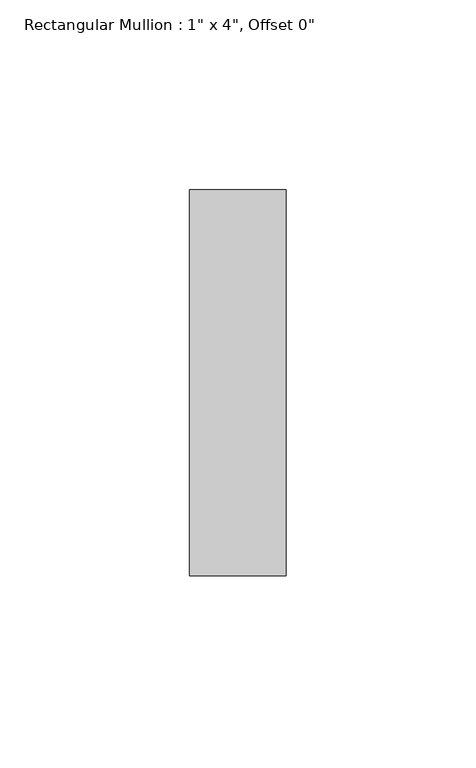
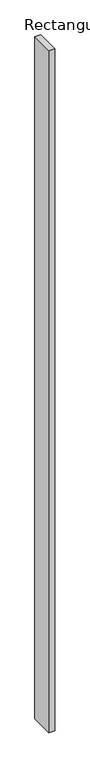
"""IFC4 building model written with IfcOpenShell, lengths in millimetres: member geometry."""

from ifc_helpers import new_model, si_unit, frame, origin, place, context, project, spatial, polyline, outline, extrude, source, transform, mapped, element, save


def member_c8980eae(model_context):
    return source(origin(), model_context, "Body", "SweptSolid", [
        extrude(outline(polyline([(12.7, 50.8), (12.7, -50.8), (-12.7, -50.8), (-12.7, 50.8), (12.7, 50.8)])), frame((0.0, 0.0, -3078.6916667), z_axis=(0.0, 0.0, 1.0), x_axis=(1.0, 0.0, 0.0)), (0.0, 0.0, 1.0), 3078.6916667),
    ])


if __name__ == "__main__":
    model = new_model("IFC4")
    model_context = context("Model", 3, world=origin())
    ifc_project = project(units=[si_unit("LENGTHUNIT", "METRE", prefix="MILLI")], contexts=[model_context])
    site = spatial("IfcSite", under=ifc_project)
    building = spatial("IfcBuilding", under=site)
    placement = place(None, origin())
    member_shape = member_c8980eae(model_context)
    element("IfcMember", 1, ObjectType="Rectangular Mullion : 1\" x 4\", Offset 0\"", at=placement, inside=building, context=model_context, shape_type="MappedRepresentation", body=[
        mapped(member_shape, transform((0.0, 0.0, 0.0), x_axis=(1.0, 0.0, 0.0), y_axis=(0.0, 1.0, 0.0), z_axis=(0.0, 0.0, 1.0))),
    ])
    save(model, "model.ifc")
